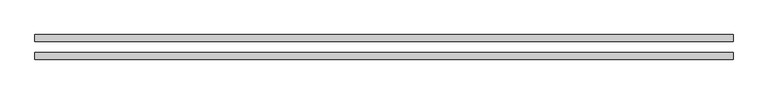
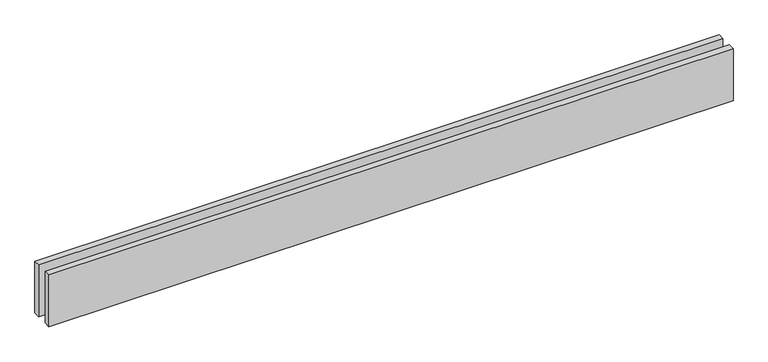
"""IFC4 building model written with IfcOpenShell, lengths in millimetres: proxy geometry."""

from ifc_helpers import new_model, si_unit, origin, origin_with_axes, place, context, project, spatial, polyline, outline, extrude, source, transform, mapped, element, save


def generic_models_d2d07b71(model_context):
    return source(origin(), model_context, "Body", "SweptSolid", [
        extrude(outline(polyline([(3120.0, 25.0), (0.0, 25.0), (0.0, 55.0), (3120.0, 55.0), (3120.0, 25.0)])), origin_with_axes(), (0.0, 0.0, 1.0), 250.0),
        extrude(outline(polyline([(3120.0, -55.0), (0.0, -55.0), (0.0, -25.0), (3120.0, -25.0), (3120.0, -55.0)])), origin_with_axes(), (0.0, 0.0, 1.0), 250.0),
    ])


if __name__ == "__main__":
    model = new_model("IFC4")
    model_context = context("Model", 3, world=origin())
    ifc_project = project(units=[si_unit("LENGTHUNIT", "METRE", prefix="MILLI")], contexts=[model_context])
    site = spatial("IfcSite", under=ifc_project)
    building = spatial("IfcBuilding", under=site)
    placement = place(None, origin())
    generic_models_shape = generic_models_d2d07b71(model_context)
    element("IfcBuildingElementProxy", 1, Name="Generic Models", at=placement, inside=building, context=model_context, shape_type="MappedRepresentation", body=[
        mapped(generic_models_shape, transform((0.0, 0.0, 0.0), x_axis=(1.0, 0.0, 0.0), y_axis=(0.0, 1.0, 0.0), z_axis=(0.0, 0.0, 1.0))),
    ])
    save(model, "model.ifc")
